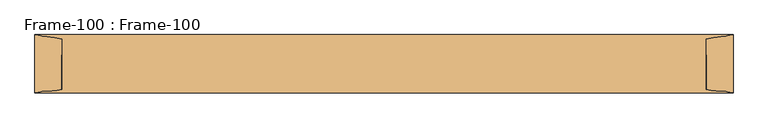
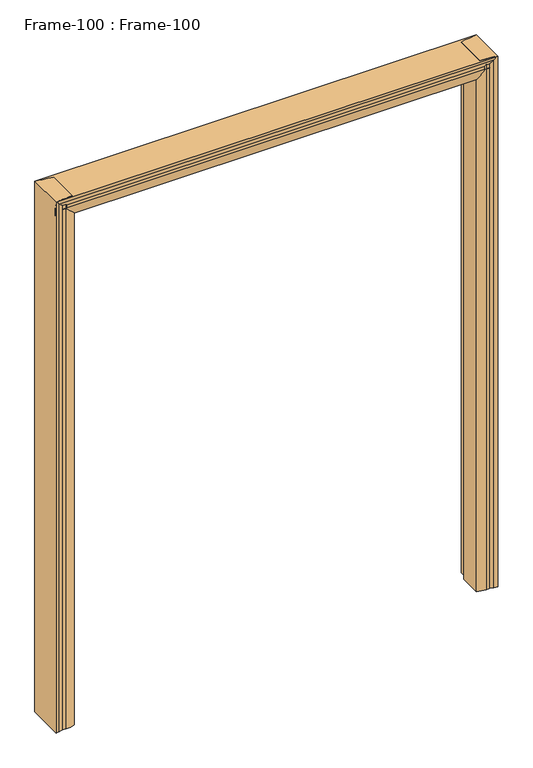
"""IFC4 building model written with IfcOpenShell, lengths in millimetres: door geometry, Frame-100 : Frame-100."""

from ifc_helpers import new_model, si_unit, frame, origin, place, context, project, spatial, polyline, circle_curve, ellipse_curve, source, transform, mapped, element, save
from ifc_brep_helpers import plane_surface, cylinder_surface, revolved_surface, advanced_brep


def frame_100_frame_100_8937c7fa(model_context):
    return source(origin(), model_context, "Body", "AdvancedBrep", [
        advanced_brep(
        [(-990.6, -82.55, 0.0), (-990.6, 82.55, 0.0), (-975.1106804, 80.0334981, 0.0), (-957.6091669, 76.956654, 0.0), (-914.4, 69.85, 0.0), (-914.4, 25.4, 0.0), (-901.7, 25.4, 0.0), (-901.7, -69.85, 0.0), (-942.4430108, -76.956654, 0.0), (-957.6091669, -76.956654, 0.0), (-975.1106804, -80.0334981, 0.0), (-990.6, -82.55, 2514.6), (-990.6, 82.55, 2514.6), (-975.1106804, 80.0334981, 2514.6), (-957.6091669, 76.956654, 2514.6), (-914.4, 69.85, 2514.6), (-914.4, 25.4, 2514.6), (-901.7, 25.4, 2501.9), (-901.7, -69.85, 2501.9), (-914.4, -73.6437313, 2514.6), (-942.4430108, -76.956654, 2514.6), (-957.6091669, -76.956654, 2514.6), (-975.1106804, -80.0334981, 2514.6)],
        [
            (0, 1),
            (1, 2, circle_curve(frame((-989.5670501, 39.9805064, 0.0), z_axis=(0.0, 0.0, -1.0), x_axis=(-1.0, 0.0, 0.0)), 42.582024)),
            (2, 3, circle_curve(frame((-957.5225129, 128.7634863, 0.0), z_axis=(0.0, 0.0, 1.0), x_axis=(-1.0, 0.0, 0.0)), 51.8069047)),
            (3, 4, circle_curve(frame((-957.8371432, -59.3408202, 0.0), z_axis=(0.0, 0.0, -1.0), x_axis=(-1.0, 0.0, 0.0)), 136.2976648)),
            (4, 5),
            (5, 6),
            (6, 7),
            (7, 8, circle_curve(frame((-942.4430108, 43.3881292, 0.0), z_axis=(0.0, 0.0, -1.0), x_axis=(-1.0, 0.0, 0.0)), 120.3447831)),
            (8, 9),
            (9, 10, circle_curve(frame((-957.5225129, -128.7634863, 0.0), z_axis=(0.0, 0.0, 1.0), x_axis=(-1.0, 0.0, 0.0)), 51.8069048)),
            (10, 0, circle_curve(frame((-989.5670501, -39.9805064, 0.0), z_axis=(0.0, 0.0, -1.0), x_axis=(-1.0, 0.0, 0.0)), 42.582024)),
            (0, 11),
            (11, 12),
            (12, 1),
            (12, 13, circle_curve(frame((-989.5670501, 39.9805064, 2514.6), z_axis=(0.0, 0.0, -1.0), x_axis=(-1.0, 0.0, 0.0)), 42.582024)),
            (13, 2),
            (13, 14, circle_curve(frame((-957.5225129, 128.7634863, 2514.6), z_axis=(0.0, 0.0, 1.0), x_axis=(-1.0, 0.0, 0.0)), 51.8069047)),
            (14, 3),
            (14, 15, circle_curve(frame((-957.8371432, -59.3408202, 2514.6), z_axis=(0.0, 0.0, -1.0), x_axis=(-1.0, 0.0, 0.0)), 136.2976648)),
            (15, 4),
            (15, 16),
            (16, 5),
            (16, 17),
            (17, 6),
            (17, 18),
            (18, 7),
            (18, 19, ellipse_curve(frame((-942.4430108, 43.3881292, 2542.6430108), z_axis=(-0.7071067811865513, 0.0, -0.7071067811865438), x_axis=(0.7071067811865438, 0.0, -0.707106781186551)), 170.1932244, 120.3447831)),
            (19, 20, circle_curve(frame((-942.4430108, 43.3881292, 2514.6), z_axis=(0.0, 0.0, -1.0), x_axis=(-1.0, 0.0, 0.0)), 120.3447831)),
            (20, 8),
            (20, 21),
            (21, 9),
            (21, 22, circle_curve(frame((-957.5225129, -128.7634863, 2514.6), z_axis=(0.0, 0.0, 1.0), x_axis=(-1.0, 0.0, 0.0)), 51.8069048)),
            (22, 10),
            (22, 11, circle_curve(frame((-989.5670501, -39.9805064, 2514.6), z_axis=(0.0, 0.0, -1.0), x_axis=(-1.0, 0.0, 0.0)), 42.582024)),
            (16, 19),
        ],
        [
            plane_surface(frame((-990.6, 69.85, 0.0), z_axis=(0.0, 0.0, -1.0), x_axis=(0.0, -1.0, 0.0))),
            plane_surface(frame((-990.6, -82.55, 0.0), z_axis=(-1.0, 0.0, 0.0), x_axis=(0.0, 0.0, 1.0))),
            cylinder_surface(frame((-989.5670501, 39.9805064, 0.0), z_axis=(0.0, 0.0, -1.0), x_axis=(-1.0, 0.0, 0.0)), 42.582024),
            revolved_surface(polyline([(-1009.3294176, 128.7634863, 2514.6), (-1009.3294176, 128.7634863, 0.0)]), (-957.5225129, 128.7634863, 0.0), (0.0, 0.0, 1.0)),
            cylinder_surface(frame((-957.8371432, -59.3408202, 0.0), z_axis=(0.0, 0.0, -1.0), x_axis=(-1.0, 0.0, 0.0)), 136.2976648),
            plane_surface(frame((-914.4, 69.85, 0.0), z_axis=(1.0, 0.0, 0.0), x_axis=(0.0, 0.0, 1.0))),
            plane_surface(frame((-914.4, 25.4, 0.0), z_axis=(0.0, 1.0, 0.0), x_axis=(0.0, 0.0, 1.0))),
            plane_surface(frame((-901.7, 25.4, 0.0), z_axis=(1.0, 0.0, 0.0), x_axis=(0.0, 0.0, 1.0))),
            cylinder_surface(frame((-942.4430108, 43.3881292, 0.0), z_axis=(0.0, 0.0, -1.0), x_axis=(-1.0, 0.0, 0.0)), 120.3447831),
            plane_surface(frame((-942.4430108, -76.956654, 0.0), z_axis=(0.0, -1.0, 0.0), x_axis=(0.0, 0.0, 1.0))),
            revolved_surface(polyline([(-1009.3294177, -128.7634863, 2514.6), (-1009.3294177, -128.7634863, 0.0)]), (-957.5225129, -128.7634863, 0.0), (0.0, 0.0, 1.0)),
            cylinder_surface(frame((-989.5670501, -39.9805064, 0.0), z_axis=(0.0, 0.0, -1.0), x_axis=(-1.0, 0.0, 0.0)), 42.582024),
            plane_surface(frame((-914.4, -107.95, 2514.6), z_axis=(0.7071067811865513, 0.0, 0.7071067811865438), x_axis=(0.0, 1.0, 0.0))),
            plane_surface(frame((-990.6, 69.85, 2514.6), z_axis=(0.0, 0.0, 1.0), x_axis=(0.0, -1.0, 0.0))),
        ],
        [
            (0, [[1, 2, 3, 4, 5, 6, 7, 8, 9, 10, 11]]),
            (1, [[-1, 12, 13, 14]]),
            (2, [[-2, -14, 15, 16]]),
            (3, [[-3, -16, 17, 18]]),
            (4, [[-4, -18, 19, 20]]),
            (5, [[-5, -20, 21, 22]]),
            (6, [[-6, -22, 23, 24]]),
            (7, [[-7, -24, 25, 26]]),
            (8, [[-8, -26, 27, 28, 29]]),
            (9, [[-9, -29, 30, 31]]),
            (10, [[-10, -31, 32, 33]]),
            (11, [[-11, -33, 34, -12]]),
            (12, [[-27, -25, -23, 35]]),
            (13, [[-34, -32, -30, -28, -35, -21, -19, -17, -15, -13]]),
        ],
    ),
        advanced_brep(
        [(990.6, -82.55, 0.0), (975.1106804, -80.0334981, 0.0), (957.6091669, -76.956654, 0.0), (942.4430108, -76.956654, 0.0), (901.7, -69.85, 0.0), (901.7, 25.4, 0.0), (914.4, 25.4, 0.0), (914.4, 69.85, 0.0), (957.6091669, 76.956654, 0.0), (975.1106804, 80.0334981, 0.0), (990.6, 82.55, 0.0), (990.6, -82.55, 2514.6), (975.1106804, -80.0334981, 2514.6), (957.6091669, -76.956654, 2514.6), (942.4430108, -76.956654, 2514.6), (914.4, -73.6437313, 2514.6), (901.7, -69.85, 2501.9), (901.7, 25.4, 2501.9), (914.4, 25.4, 2514.6), (914.4, 69.85, 2514.6), (957.6091669, 76.956654, 2514.6), (975.1106804, 80.0334981, 2514.6), (990.6, 82.55, 2514.6)],
        [
            (0, 1, circle_curve(frame((989.5670501, -39.9805064, 0.0), z_axis=(0.0, 0.0, -1.0), x_axis=(-1.0, 0.0, 0.0)), 42.582024)),
            (1, 2, circle_curve(frame((957.5225129, -128.7634863, 0.0), z_axis=(0.0, 0.0, 1.0), x_axis=(-1.0, 0.0, 0.0)), 51.8069048)),
            (2, 3),
            (3, 4, circle_curve(frame((942.4430108, 43.3881292, 0.0), z_axis=(0.0, 0.0, -1.0), x_axis=(-1.0, 0.0, 0.0)), 120.3447831)),
            (4, 5),
            (5, 6),
            (6, 7),
            (7, 8, circle_curve(frame((957.8371432, -59.3408202, 0.0), z_axis=(0.0, 0.0, -1.0), x_axis=(-1.0, 0.0, 0.0)), 136.2976648)),
            (8, 9, circle_curve(frame((957.5225129, 128.7634863, 0.0), z_axis=(0.0, 0.0, 1.0), x_axis=(-1.0, 0.0, 0.0)), 51.8069048)),
            (9, 10, circle_curve(frame((989.5670501, 39.9805064, 0.0), z_axis=(0.0, 0.0, -1.0), x_axis=(-1.0, 0.0, 0.0)), 42.582024)),
            (10, 0),
            (0, 11),
            (11, 12, circle_curve(frame((989.5670501, -39.9805064, 2514.6), z_axis=(0.0, 0.0, -1.0), x_axis=(-1.0, 0.0, 0.0)), 42.582024)),
            (12, 1),
            (12, 13, circle_curve(frame((957.5225129, -128.7634863, 2514.6), z_axis=(0.0, 0.0, 1.0), x_axis=(-1.0, 0.0, 0.0)), 51.8069048)),
            (13, 2),
            (13, 14),
            (14, 3),
            (14, 15, circle_curve(frame((942.4430108, 43.3881292, 2514.6), z_axis=(0.0, 0.0, -1.0), x_axis=(-1.0, 0.0, 0.0)), 120.3447831)),
            (15, 16, ellipse_curve(frame((942.4430108, 43.3881292, 2542.6430108), z_axis=(0.7071067811865464, 0.0, -0.7071067811865488), x_axis=(-0.7071067811865488, 0.0, -0.7071067811865461)), 170.1932244, 120.3447831)),
            (16, 4),
            (16, 17),
            (17, 5),
            (17, 18),
            (18, 6),
            (18, 19),
            (19, 7),
            (19, 20, circle_curve(frame((957.8371432, -59.3408202, 2514.6), z_axis=(0.0, 0.0, -1.0), x_axis=(-1.0, 0.0, 0.0)), 136.2976648)),
            (20, 8),
            (20, 21, circle_curve(frame((957.5225129, 128.7634863, 2514.6), z_axis=(0.0, 0.0, 1.0), x_axis=(-1.0, 0.0, 0.0)), 51.8069048)),
            (21, 9),
            (21, 22, circle_curve(frame((989.5670501, 39.9805064, 2514.6), z_axis=(0.0, 0.0, -1.0), x_axis=(-1.0, 0.0, 0.0)), 42.582024)),
            (22, 10),
            (22, 11),
            (15, 18),
        ],
        [
            plane_surface(frame((990.6, 69.85, 0.0), z_axis=(0.0, 0.0, -1.0), x_axis=(0.0, -1.0, 0.0))),
            cylinder_surface(frame((989.5670501, -39.9805064, 0.0), z_axis=(0.0, 0.0, -1.0), x_axis=(-1.0, 0.0, 0.0)), 42.582024),
            revolved_surface(polyline([(905.7156081, -128.7634863, 2514.6), (905.7156081, -128.7634863, 0.0)]), (957.5225129, -128.7634863, 0.0), (0.0, 0.0, 1.0)),
            plane_surface(frame((957.6091669, -76.956654, 0.0), z_axis=(0.0, -1.0, 0.0), x_axis=(0.0, 0.0, 1.0))),
            cylinder_surface(frame((942.4430108, 43.3881292, 0.0), z_axis=(0.0, 0.0, -1.0), x_axis=(-1.0, 0.0, 0.0)), 120.3447831),
            plane_surface(frame((901.7, -69.85, 0.0), z_axis=(-1.0, 0.0, 0.0), x_axis=(0.0, 0.0, 1.0))),
            plane_surface(frame((901.7, 25.4, 0.0), z_axis=(0.0, 1.0, 0.0), x_axis=(0.0, 0.0, 1.0))),
            plane_surface(frame((914.4, 25.4, 0.0), z_axis=(-1.0, 0.0, 0.0), x_axis=(0.0, 0.0, 1.0))),
            cylinder_surface(frame((957.8371432, -59.3408202, 0.0), z_axis=(0.0, 0.0, -1.0), x_axis=(-1.0, 0.0, 0.0)), 136.2976648),
            revolved_surface(polyline([(905.7156081, 128.7634863, 2514.6), (905.7156081, 128.7634863, 0.0)]), (957.5225129, 128.7634863, 0.0), (0.0, 0.0, 1.0)),
            cylinder_surface(frame((989.5670501, 39.9805064, 0.0), z_axis=(0.0, 0.0, -1.0), x_axis=(-1.0, 0.0, 0.0)), 42.582024),
            plane_surface(frame((990.6, 82.55, 0.0), z_axis=(1.0, 0.0, 0.0), x_axis=(0.0, 0.0, 1.0))),
            plane_surface(frame((876.3, -107.95, 2476.5), z_axis=(-0.7071067811865464, 0.0, 0.7071067811865488), x_axis=(0.0, 1.0, 0.0))),
            plane_surface(frame((990.6, 69.85, 2514.6), z_axis=(0.0, 0.0, 1.0), x_axis=(0.0, -1.0, 0.0))),
        ],
        [
            (0, [[1, 2, 3, 4, 5, 6, 7, 8, 9, 10, 11]]),
            (1, [[-1, 12, 13, 14]]),
            (2, [[-2, -14, 15, 16]]),
            (3, [[-3, -16, 17, 18]]),
            (4, [[-4, -18, 19, 20, 21]]),
            (5, [[-5, -21, 22, 23]]),
            (6, [[-6, -23, 24, 25]]),
            (7, [[-7, -25, 26, 27]]),
            (8, [[-8, -27, 28, 29]]),
            (9, [[-9, -29, 30, 31]]),
            (10, [[-10, -31, 32, 33]]),
            (11, [[-11, -33, 34, -12]]),
            (12, [[-20, 35, -24, -22]]),
            (13, [[-13, -34, -32, -30, -28, -26, -35, -19, -17, -15]]),
        ],
    ),
        advanced_brep(
        [(-990.6, -82.55, 2514.6), (-990.6, -80.0334981, 2499.1106804), (990.6, -80.0334981, 2499.1106804), (990.6, -82.55, 2514.6), (-990.6, -76.956654, 2481.6091669), (990.6, -76.956654, 2481.6091669), (-990.6, -76.956654, 2466.4430108), (990.6, -76.956654, 2466.4430108), (-990.6, -73.6437313, 2438.4), (-977.9, -69.85, 2425.7), (952.5, -69.85, 2425.7), (990.6, -73.6437313, 2438.4), (952.5, 25.4, 2425.7), (-977.9, 25.4, 2425.7), (-990.6, 25.4, 2438.4), (990.6, 25.4, 2438.4), (-990.6, 69.85, 2438.4), (990.6, 69.85, 2438.4), (-990.6, 76.956654, 2481.6091669), (990.6, 76.956654, 2481.6091669), (-990.6, 80.0334981, 2499.1106804), (990.6, 80.0334981, 2499.1106804), (-990.6, 82.55, 2514.6), (990.6, 82.55, 2514.6)],
        [
            (0, 1, circle_curve(frame((-990.6, -39.9805064, 2513.5670501), z_axis=(1.0, 0.0, 0.0), x_axis=(0.0, 0.0, 1.0)), 42.582024)),
            (1, 2),
            (2, 3, circle_curve(frame((990.6, -39.9805064, 2513.5670501), z_axis=(-1.0, 0.0, 0.0), x_axis=(0.0, 0.0, 1.0)), 42.582024)),
            (3, 0),
            (1, 4, circle_curve(frame((-990.6, -128.7634863, 2481.5225129), z_axis=(-1.0, 0.0, 0.0), x_axis=(0.0, 0.0, 1.0)), 51.8069048)),
            (4, 5),
            (5, 2, circle_curve(frame((990.6, -128.7634863, 2481.5225129), z_axis=(1.0, 0.0, 0.0), x_axis=(0.0, 0.0, 1.0)), 51.8069048)),
            (4, 6),
            (6, 7),
            (7, 5),
            (6, 8, circle_curve(frame((-990.6, 43.3881292, 2466.4430108), z_axis=(1.0, 0.0, 0.0), x_axis=(0.0, 0.0, 1.0)), 120.3447831)),
            (8, 9, ellipse_curve(frame((-1018.6430108, 43.3881292, 2466.4430108), z_axis=(0.7071067811865526, 0.0, 0.7071067811865426), x_axis=(-0.7071067811865424, 0.0, 0.7071067811865527)), 170.1932244, 120.3447831)),
            (9, 10),
            (10, 11, ellipse_curve(frame((1074.7290324, 43.3881292, 2466.4430108), z_axis=(-0.3162277660168689, 0.0, 0.9486832980505034), x_axis=(-0.9486832980505036, 0.0, -0.3162277660168689)), 380.5636192, 120.3447831)),
            (11, 7, circle_curve(frame((990.6, 43.3881292, 2466.4430108), z_axis=(-1.0, 0.0, 0.0), x_axis=(0.0, 0.0, 1.0)), 120.3447831)),
            (12, 10),
            (9, 13),
            (13, 12),
            (14, 15),
            (15, 12),
            (13, 14),
            (14, 16),
            (16, 17),
            (17, 15),
            (16, 18, circle_curve(frame((-990.6, -59.3408202, 2481.8371432), z_axis=(1.0, 0.0, 0.0), x_axis=(0.0, 0.0, 1.0)), 136.2976648)),
            (18, 19),
            (19, 17, circle_curve(frame((990.6, -59.3408202, 2481.8371432), z_axis=(-1.0, 0.0, 0.0), x_axis=(0.0, 0.0, 1.0)), 136.2976648)),
            (18, 20, circle_curve(frame((-990.6, 128.7634863, 2481.5225129), z_axis=(-1.0, 0.0, 0.0), x_axis=(0.0, 0.0, 1.0)), 51.8069048)),
            (20, 21),
            (21, 19, circle_curve(frame((990.6, 128.7634863, 2481.5225129), z_axis=(1.0, 0.0, 0.0), x_axis=(0.0, 0.0, 1.0)), 51.8069048)),
            (20, 22, circle_curve(frame((-990.6, 39.9805064, 2513.5670501), z_axis=(1.0, 0.0, 0.0), x_axis=(0.0, 0.0, 1.0)), 42.582024)),
            (22, 23),
            (23, 21, circle_curve(frame((990.6, 39.9805064, 2513.5670501), z_axis=(-1.0, 0.0, 0.0), x_axis=(0.0, 0.0, 1.0)), 42.582024)),
            (22, 0),
            (3, 23),
            (15, 11),
            (8, 14),
        ],
        [
            cylinder_surface(frame((-990.6, -39.9805064, 2513.5670501), z_axis=(-1.0, 0.0, 0.0), x_axis=(0.0, 0.0, 1.0)), 42.582024),
            revolved_surface(polyline([(990.6, -128.7634863, 2533.3294177000002), (-990.6, -128.7634863, 2533.3294177000002)]), (-990.6, -128.7634863, 2481.5225129), (1.0, 0.0, 0.0)),
            plane_surface(frame((-990.6, -76.956654, 2466.4430108), z_axis=(0.0, -1.0, 0.0), x_axis=(1.0, 0.0, 0.0))),
            cylinder_surface(frame((-990.6, 43.3881292, 2466.4430108), z_axis=(-1.0, 0.0, 0.0), x_axis=(0.0, 0.0, 1.0)), 120.3447831),
            plane_surface(frame((-990.6, 25.4, 2425.7), z_axis=(0.0, 0.0, -1.0), x_axis=(1.0, 0.0, 0.0))),
            plane_surface(frame((-990.6, 25.4, 2438.4), z_axis=(0.0, 1.0, 0.0), x_axis=(1.0, 0.0, 0.0))),
            plane_surface(frame((-990.6, 69.85, 2438.4), z_axis=(0.0, 0.0, -1.0), x_axis=(1.0, 0.0, 0.0))),
            cylinder_surface(frame((-990.6, -59.3408202, 2481.8371432), z_axis=(-1.0, 0.0, 0.0), x_axis=(0.0, 0.0, 1.0)), 136.2976648),
            revolved_surface(polyline([(990.6, 128.7634863, 2533.3294177000002), (-990.6, 128.7634863, 2533.3294177000002)]), (-990.6, 128.7634863, 2481.5225129), (1.0, 0.0, 0.0)),
            cylinder_surface(frame((-990.6, 39.9805064, 2513.5670501), z_axis=(-1.0, 0.0, 0.0), x_axis=(0.0, 0.0, 1.0)), 42.582024),
            plane_surface(frame((-990.6, -82.55, 2514.6), z_axis=(0.0, 0.0, 1.0), x_axis=(1.0, 0.0, 0.0))),
            plane_surface(frame((990.6, -107.95, 2438.4), z_axis=(0.3162277660168689, 0.0, -0.9486832980505034), x_axis=(0.0, 1.0, 0.0))),
            plane_surface(frame((-952.5, -107.95, 2400.3), z_axis=(-0.7071067811865526, 0.0, -0.7071067811865426), x_axis=(0.0, 1.0, 0.0))),
            plane_surface(frame((-990.6, 69.85, 2514.6), z_axis=(-1.0, 0.0, 0.0), x_axis=(0.0, -1.0, 0.0))),
            plane_surface(frame((990.6, 69.85, 2514.6), z_axis=(1.0, 0.0, 0.0), x_axis=(0.0, -1.0, 0.0))),
        ],
        [
            (0, [[1, 2, 3, 4]]),
            (1, [[5, 6, 7, -2]]),
            (2, [[8, 9, 10, -6]]),
            (3, [[-9, 11, 12, 13, 14, 15]]),
            (4, [[16, -13, 17, 18]]),
            (5, [[19, 20, -18, 21]]),
            (6, [[22, 23, 24, -19]]),
            (7, [[25, 26, 27, -23]]),
            (8, [[28, 29, 30, -26]]),
            (9, [[31, 32, 33, -29]]),
            (10, [[34, -4, 35, -32]]),
            (11, [[-14, -16, -20, 36]]),
            (12, [[37, -21, -17, -12]]),
            (13, [[-34, -31, -28, -25, -22, -37, -11, -8, -5, -1]]),
            (14, [[-3, -7, -10, -15, -36, -24, -27, -30, -33, -35]]),
        ],
    ),
    ])


if __name__ == "__main__":
    model = new_model("IFC4")
    model_context = context("Model", 3, world=origin())
    ifc_project = project(units=[si_unit("LENGTHUNIT", "METRE", prefix="MILLI")], contexts=[model_context])
    site = spatial("IfcSite", under=ifc_project)
    building = spatial("IfcBuilding", under=site)
    placement = place(None, origin())
    frame_100_frame_100_shape = frame_100_frame_100_8937c7fa(model_context)
    element("IfcDoor", 1, ObjectType="Frame-100 : Frame-100", at=placement, inside=building, context=model_context, shape_type="MappedRepresentation", body=[
        mapped(frame_100_frame_100_shape, transform((0.0, 0.0, 0.0), x_axis=(1.0, 0.0, 0.0), y_axis=(0.0, 1.0, 0.0), z_axis=(0.0, 0.0, 1.0))),
    ])
    save(model, "model.ifc")
